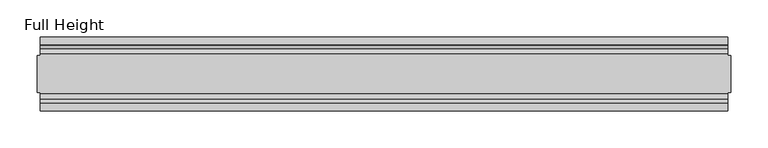
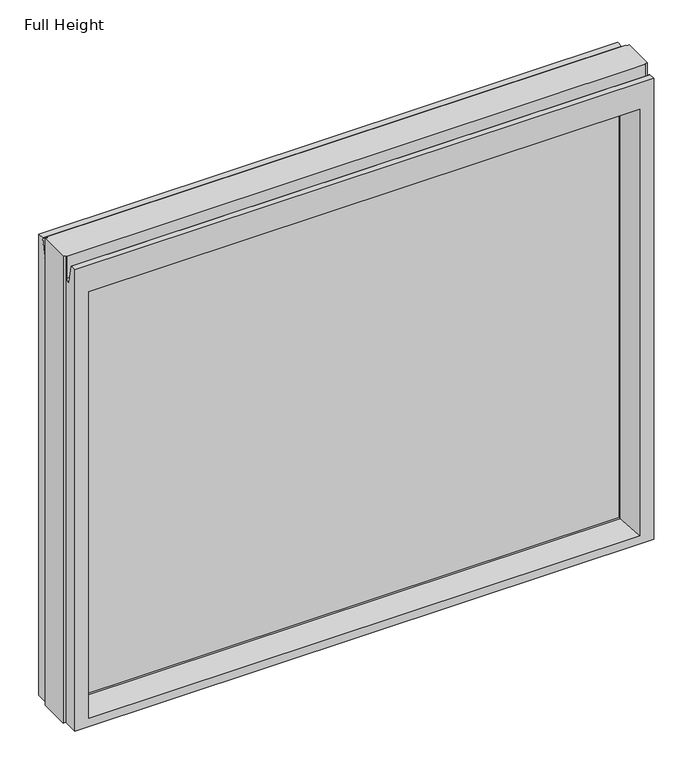
"""IFC4 building model written with IfcOpenShell, lengths in millimetres: plate geometry, Full Height."""

from ifc_helpers import new_model, si_unit, frame, origin, place, context, project, spatial, polyline, circle_curve, outline, extrude, source, transform, mapped, element, save
from ifc_brep_helpers import plane_surface, cylinder_surface, revolved_surface, advanced_brep


def full_height_7c78db3d(model_context):
    return source(origin(), model_context, "Body", "SolidModel", [
        advanced_brep(
        [(463.330153, -50.0, 0.0), (-463.330153, -50.0, 0.0), (-463.330153, -25.146, 0.0), (-467.902153, -25.146, 0.0), (-467.902153, 25.146, 0.0), (-463.330153, 25.146, 0.0), (-463.330153, 50.0, 0.0), (463.330153, 50.0, 0.0), (463.330153, 25.146, 0.0), (467.902153, 25.146, 0.0), (467.902153, -25.146, 0.0), (463.330153, -25.146, 0.0), (467.902153, -25.146, 789.94), (467.902153, 25.146, 789.94), (463.330153, 25.146, 789.94), (463.330153, 26.67, 789.94), (-463.330153, 26.67, 789.94), (-463.330153, 25.146, 789.94), (-467.902153, 25.146, 789.94), (-467.902153, -25.146, 789.94), (-463.330153, -25.146, 789.94), (-463.330153, -26.67, 789.94), (463.330153, -26.67, 789.94), (463.330153, -25.146, 789.94), (-463.330153, -26.67, 752.729), (463.330153, -26.67, 752.729), (-463.330153, 26.67, 752.729), (-463.330153, 34.2321175, 752.0674004), (-463.330153, 39.1867152, 780.1663199), (-463.330153, 39.9371387, 780.796), (-463.330153, 50.0, 780.796), (-463.330153, -50.0, 780.796), (-463.330153, -39.9371387, 780.796), (-463.330153, -39.1867152, 780.1663199), (-463.330153, -34.2321175, 752.0674004), (463.330153, 50.0, 780.796), (-441.232153, 50.0, 736.219), (-441.232153, 50.0, 13.9954), (441.232153, 50.0, 13.9954), (441.232153, 50.0, 736.219), (463.330153, -50.0, 780.796), (-441.232153, -50.0, 13.9954), (-441.232153, -50.0, 736.219), (441.232153, -50.0, 736.219), (441.232153, -50.0, 13.9954), (-435.263153, 6.1006519, 730.25), (-435.263153, 6.1006519, 18.3896), (-435.263153, -6.1006519, 18.3896), (-435.263153, -6.1006519, 730.25), (435.263153, -6.1006519, 730.25), (435.263153, -6.1006519, 18.3896), (435.263153, 6.1006519, 730.25), (435.263153, 6.1006519, 18.3896), (463.330153, -34.2321175, 752.0674004), (463.330153, -39.1867152, 780.1663199), (463.330153, -39.9371387, 780.796), (463.330153, 39.9371387, 780.796), (463.330153, 39.1867152, 780.1663199), (463.330153, 34.2321175, 752.0674004), (463.330153, 26.67, 752.729)],
        [
            (0, 1),
            (1, 2),
            (2, 3),
            (3, 4),
            (4, 5),
            (5, 6),
            (6, 7),
            (7, 8),
            (8, 9),
            (9, 10),
            (10, 11),
            (11, 0),
            (12, 13),
            (13, 14),
            (14, 15),
            (15, 16),
            (16, 17),
            (17, 18),
            (18, 19),
            (19, 20),
            (20, 21),
            (21, 22),
            (22, 23),
            (23, 12),
            (10, 12),
            (23, 11),
            (13, 9),
            (8, 14),
            (18, 4),
            (3, 19),
            (17, 5),
            (2, 20),
            (24, 25),
            (25, 22),
            (21, 24),
            (16, 26),
            (26, 27, circle_curve(frame((-463.330153, 30.48, 752.729), z_axis=(1.0, 0.0, 0.0), x_axis=(0.0, 1.0, 0.0)), 3.81)),
            (27, 28),
            (28, 29, circle_curve(frame((-463.330153, 39.9371387, 780.034), z_axis=(-1.0, 0.0, 0.0), x_axis=(0.0, 1.0, 0.0)), 0.762)),
            (29, 30),
            (30, 6),
            (1, 31),
            (31, 32),
            (32, 33, circle_curve(frame((-463.330153, -39.9371387, 780.034), z_axis=(-1.0, 0.0, 0.0), x_axis=(0.0, 1.0, 0.0)), 0.762)),
            (33, 34),
            (34, 24, circle_curve(frame((-463.330153, -30.48, 752.729), z_axis=(1.0, 0.0, 0.0), x_axis=(0.0, 1.0, 0.0)), 3.81)),
            (30, 35),
            (35, 7),
            (36, 37),
            (37, 38),
            (38, 39),
            (39, 36),
            (0, 40),
            (40, 31),
            (41, 42),
            (42, 43),
            (43, 44),
            (44, 41),
            (36, 45),
            (45, 46),
            (46, 37),
            (41, 47),
            (47, 48),
            (48, 42),
            (43, 49),
            (49, 50),
            (50, 44),
            (51, 39),
            (38, 52),
            (52, 51),
            (25, 53, circle_curve(frame((463.330153, -30.48, 752.729), z_axis=(-1.0, 0.0, 0.0), x_axis=(0.0, 1.0, 0.0)), 3.81)),
            (53, 54),
            (54, 55, circle_curve(frame((463.330153, -39.9371387, 780.034), z_axis=(1.0, 0.0, 0.0), x_axis=(0.0, 1.0, 0.0)), 0.762)),
            (55, 40),
            (35, 56),
            (56, 57, circle_curve(frame((463.330153, 39.9371387, 780.034), z_axis=(1.0, 0.0, 0.0), x_axis=(0.0, 1.0, 0.0)), 0.762)),
            (57, 58),
            (58, 59, circle_curve(frame((463.330153, 30.48, 752.729), z_axis=(-1.0, 0.0, 0.0), x_axis=(0.0, 1.0, 0.0)), 3.81)),
            (59, 15),
            (55, 32),
            (29, 56),
            (59, 26),
            (51, 45),
            (33, 54),
            (53, 34),
            (28, 57),
            (27, 58),
            (46, 52),
            (50, 47),
            (48, 49),
            (51, 49),
            (48, 45),
            (46, 47),
            (50, 52),
        ],
        [
            plane_surface(frame((-463.330153, 50.0, 0.0), z_axis=(0.0, 0.0, -1.0), x_axis=(0.0, -1.0, 0.0))),
            plane_surface(frame((463.330153, -25.146, 789.94), z_axis=(0.0, 0.0, 1.0), x_axis=(-1.0, 0.0, 0.0))),
            plane_surface(frame((467.902153, -25.146, 789.94), z_axis=(0.0, -1.0, 0.0), x_axis=(0.0, 0.0, -1.0))),
            plane_surface(frame((463.330153, 25.146, 789.94), z_axis=(0.0, 1.0, 0.0), x_axis=(0.0, 0.0, -1.0))),
            plane_surface(frame((467.902153, 25.146, 789.94), z_axis=(1.0, 0.0, 0.0), x_axis=(0.0, 0.0, -1.0))),
            plane_surface(frame((-467.902153, -25.146, 789.94), z_axis=(-1.0, 0.0, 0.0), x_axis=(0.0, 0.0, -1.0))),
            plane_surface(frame((-467.902153, 25.146, 789.94), z_axis=(0.0, 1.0, 0.0), x_axis=(0.0, 0.0, -1.0))),
            plane_surface(frame((-463.330153, -25.146, 789.94), z_axis=(0.0, -1.0, 0.0), x_axis=(0.0, 0.0, -1.0))),
            plane_surface(frame((-463.330153, -26.67, 789.94), z_axis=(0.0, -1.0, 0.0), x_axis=(1.0, 0.0, 0.0))),
            plane_surface(frame((-463.330153, -50.0, 748.0046), z_axis=(-1.0, 0.0, 0.0), x_axis=(0.0, 0.0, -1.0))),
            plane_surface(frame((-463.330153, 50.0, 748.0046), z_axis=(0.0, 1.0, 0.0), x_axis=(0.0, 0.0, -1.0))),
            plane_surface(frame((-441.232153, -50.0, 748.0046), z_axis=(0.0, -1.0, 0.0), x_axis=(0.0, 0.0, -1.0))),
            plane_surface(frame((-441.232153, 50.0, 748.0046), z_axis=(0.990882294353361, 0.13473039277393772, 0.0), x_axis=(0.0, 0.0, -1.0))),
            plane_surface(frame((-435.263153, -6.1006519, 748.0046), z_axis=(0.990882294353361, -0.13473039277393709, 0.0), x_axis=(0.0, 0.0, -1.0))),
            plane_surface(frame((441.232153, -50.0, 748.0046), z_axis=(-0.9908822943533631, -0.13473039277392201, 0.0), x_axis=(0.0, 0.0, -1.0))),
            plane_surface(frame((435.263153, 6.1006519, 748.0046), z_axis=(-0.990882294353359, 0.13473039277395266, 0.0), x_axis=(0.0, 0.0, -1.0))),
            plane_surface(frame((463.330153, 50.0, 748.0046), z_axis=(1.0, 0.0, 0.0), x_axis=(0.0, 0.0, -1.0))),
            plane_surface(frame((-463.330153, -39.9371387, 780.796), z_axis=(0.0, 0.0, 1.0), x_axis=(1.0, 0.0, 0.0))),
            plane_surface(frame((-463.330153, 50.0, 780.796), z_axis=(0.0, 0.0, 1.0), x_axis=(1.0, 0.0, 0.0))),
            plane_surface(frame((-463.330153, 26.67, 752.729), z_axis=(0.0, 1.0, 0.0), x_axis=(1.0, 0.0, 0.0))),
            plane_surface(frame((-463.330153, 6.1006519, 730.25), z_axis=(0.0, 0.13473039277393184, -0.9908822943533617), x_axis=(1.0, 0.0, 0.0))),
            plane_surface(frame((-463.330153, -34.2321175, 752.0674004), z_axis=(0.0, 0.9848077530122084, 0.17364817766692875), x_axis=(1.0, 0.0, 0.0))),
            revolved_surface(polyline([(463.330153, -26.67, 752.729), (-463.330153, -26.67, 752.729)]), (463.330153, -30.48, 752.729), (1.0, 0.0, 0.0)),
            cylinder_surface(frame((463.330153, -39.9371387, 780.034), z_axis=(-1.0, 0.0, 0.0), x_axis=(0.0, 1.0, 0.0)), 0.762),
            cylinder_surface(frame((463.330153, 39.9371387, 780.034), z_axis=(-1.0, 0.0, 0.0), x_axis=(0.0, 1.0, 0.0)), 0.762),
            plane_surface(frame((-463.330153, 39.1867152, 780.1663199), z_axis=(0.0, -0.9848077530122005, 0.17364817766697394), x_axis=(1.0, 0.0, 0.0))),
            revolved_surface(polyline([(463.330153, 34.29, 752.729), (-463.330153, 34.29, 752.729)]), (463.330153, 30.48, 752.729), (1.0, 0.0, 0.0)),
            plane_surface(frame((-463.330153, 50.0, 13.9954), z_axis=(0.0, 0.09959943661133767, 0.9950276138010965), x_axis=(1.0, 0.0, 0.0))),
            plane_surface(frame((-463.330153, -6.1006519, 18.3896), z_axis=(0.0, -0.09959943661137731, 0.9950276138010926), x_axis=(1.0, 0.0, 0.0))),
            plane_surface(frame((-463.330153, -50.0, 736.219), z_axis=(0.0, -0.13473039277391685, -0.9908822943533637), x_axis=(1.0, 0.0, 0.0))),
            plane_surface(frame((-463.330153, -6.1006519, 730.25), z_axis=(0.0, 0.0, -1.0), x_axis=(1.0, 0.0, 0.0))),
            plane_surface(frame((-463.330153, 6.1006519, 18.3896), z_axis=(0.0, 0.0, 1.0), x_axis=(1.0, 0.0, 0.0))),
            plane_surface(frame((-435.263153, 6.1006519, 748.0046), z_axis=(1.0, 0.0, 0.0), x_axis=(0.0, 0.0, -1.0))),
            plane_surface(frame((435.263153, -6.1006519, 748.0046), z_axis=(-1.0, 0.0, 0.0), x_axis=(0.0, 0.0, -1.0))),
        ],
        [
            (0, [[1, 2, 3, 4, 5, 6, 7, 8, 9, 10, 11, 12]]),
            (1, [[13, 14, 15, 16, 17, 18, 19, 20, 21, 22, 23, 24]]),
            (2, [[-11, 25, -24, 26]]),
            (3, [[27, -9, 28, -14]]),
            (4, [[-25, -10, -27, -13]]),
            (5, [[29, -4, 30, -19]]),
            (6, [[-5, -29, -18, 31]]),
            (7, [[-30, -3, 32, -20]]),
            (8, [[33, 34, -22, 35]]),
            (9, [[-31, -17, 36, 37, 38, 39, 40, 41, -6]]),
            (9, [[42, 43, 44, 45, 46, -35, -21, -32, -2]]),
            (10, [[47, 48, -7, -41], [49, 50, 51, 52]]),
            (11, [[53, 54, -42, -1], [55, 56, 57, 58]]),
            (12, [[59, 60, 61, -49]]),
            (13, [[62, 63, 64, -55]]),
            (14, [[65, 66, 67, -57]]),
            (15, [[68, -51, 69, 70]]),
            (16, [[-26, -23, -34, 71, 72, 73, 74, -53, -12]]),
            (16, [[75, 76, 77, 78, 79, -15, -28, -8, -48]]),
            (17, [[-54, -74, 80, -43]]),
            (18, [[81, -75, -47, -40]]),
            (19, [[-16, -79, 82, -36]]),
            (20, [[-68, 83, -59, -52]]),
            (21, [[84, -72, 85, -45]]),
            (22, [[-85, -71, -33, -46]]),
            (23, [[-80, -73, -84, -44]]),
            (24, [[86, -76, -81, -39]]),
            (25, [[87, -77, -86, -38]]),
            (26, [[-82, -78, -87, -37]]),
            (27, [[-61, 88, -69, -50]]),
            (28, [[-67, 89, -62, -58]]),
            (29, [[-64, 90, -65, -56]]),
            (30, [[91, -90, 92, -83]]),
            (31, [[93, -89, 94, -88]]),
            (32, [[-93, -60, -92, -63]]),
            (33, [[-94, -66, -91, -70]]),
        ],
    ),
        extrude(outline(polyline([(-435.263153, -3.175), (-435.263153, 3.175), (435.263153, 3.175), (435.263153, -3.175), (-435.263153, -3.175)])), frame((0.0, 0.0, 18.3896), z_axis=(0.0, 0.0, 1.0), x_axis=(1.0, 0.0, 0.0)), (0.0, 0.0, 1.0), 711.8604),
    ])


if __name__ == "__main__":
    model = new_model("IFC4")
    model_context = context("Model", 3, world=origin())
    ifc_project = project(units=[si_unit("LENGTHUNIT", "METRE", prefix="MILLI")], contexts=[model_context])
    site = spatial("IfcSite", under=ifc_project)
    building = spatial("IfcBuilding", under=site)
    placement = place(None, origin())
    full_height_shape = full_height_7c78db3d(model_context)
    element("IfcPlate", 1, ObjectType="Full Height", at=placement, inside=building, context=model_context, shape_type="MappedRepresentation", body=[
        mapped(full_height_shape, transform((0.0, 0.0, 0.0), x_axis=(1.0, 0.0, 0.0), y_axis=(0.0, 1.0, 0.0), z_axis=(0.0, 0.0, 1.0))),
    ])
    save(model, "model.ifc")
